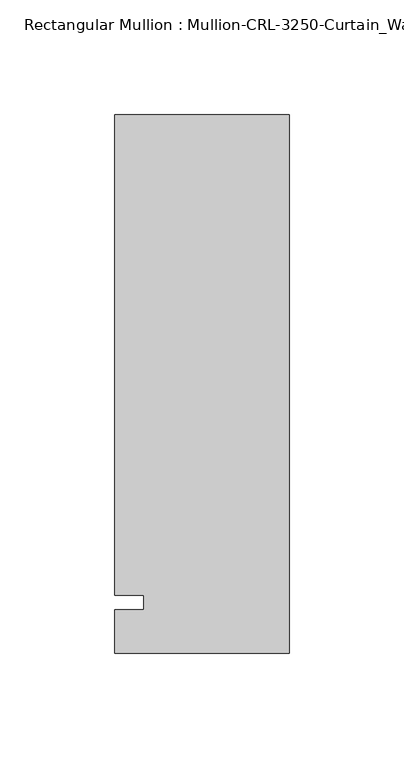
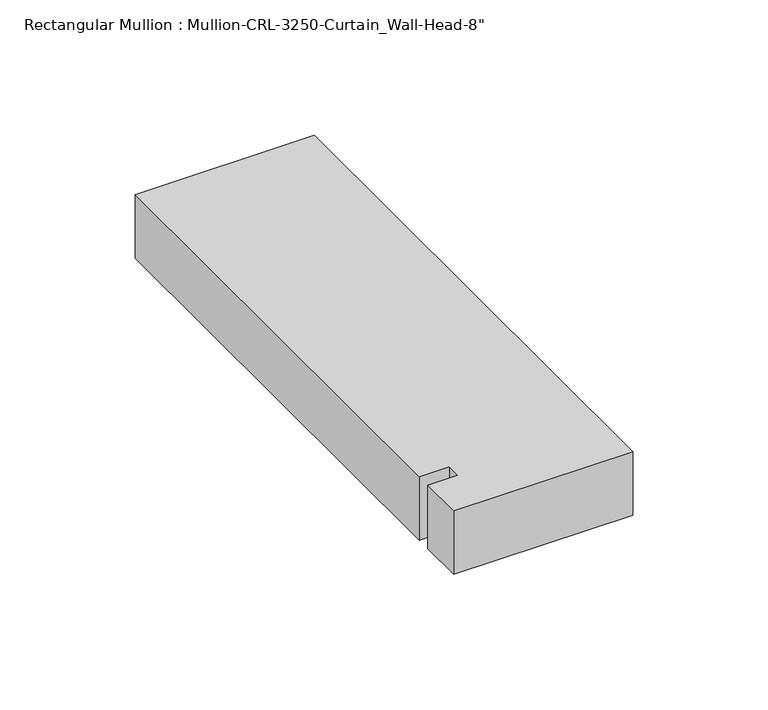
"""IFC4 building model written with IfcOpenShell, lengths in millimetres: member geometry."""

import ifcopenshell
import ifcopenshell.guid

model = None  # the IFC model being written
_history = None  # IfcOwnerHistory: only IFC2X3 demands one
_inside = {}  # id of a spatial element -> (the spatial element, [elements in it])
_under = {}  # id of a project, library or spatial element -> (it, [spatial elements below it])
_declared = {}  # id of a project -> (the project, [libraries it declares])
_typed = {}  # id of a type object -> (the type object, [elements of that type])
_made_of = {}  # id of a material, layer set ... -> (it, [elements and type objects made of it])


def new_model(schema):
    """Start an empty IFC model of exactly this schema.

    Asked for "IFC4X3", IfcOpenShell would pick the latest addendum, in which some entities
    have other attributes; the version numbers below select the first issue.
    IFC2X3 requires an IfcOwnerHistory on every rooted entity: one is made here for all.
    """
    global model, _history
    if schema == "IFC4X3":
        model = ifcopenshell.file(schema_version=(4, 3, 0, 0))
    else:
        model = ifcopenshell.file(schema=schema)
    _inside.clear()
    _under.clear()
    _declared.clear()
    _typed.clear()
    _made_of.clear()
    _history = None
    if model.schema == "IFC2X3":
        org = make("IfcOrganization", Name="unknown")
        user = make(
            "IfcPersonAndOrganization",
            ThePerson=make("IfcPerson", FamilyName="unknown"),
            TheOrganization=org,
        )
        app = make(
            "IfcApplication",
            ApplicationDeveloper=org,
            Version="unknown",
            ApplicationFullName="unknown",
            ApplicationIdentifier="unknown",
        )
        _history = make(
            "IfcOwnerHistory",
            OwningUser=user,
            OwningApplication=app,
            ChangeAction="ADDED",
            CreationDate=0,
        )
    return model


def make(cls, **values):
    """One entity of the class cls with the attributes given. An attribute that is None is left unset."""
    return model.create_entity(
        cls, **{name: value for name, value in values.items() if value is not None}
    )


def rooted(cls, **values):
    """An entity with a GlobalId (a new one), such as an element, a storey or a relation."""
    return make(cls, GlobalId=ifcopenshell.guid.new(), OwnerHistory=_history, **values)


def si_unit(unit_type, name, prefix=None):
    """IfcSIUnit, for example si_unit("LENGTHUNIT", "METRE", prefix="MILLI")."""
    return make("IfcSIUnit", UnitType=unit_type, Prefix=prefix, Name=name)


def assignment(units):
    """IfcUnitAssignment: the units of a project."""
    return None if units is None else make("IfcUnitAssignment", Units=units)


def point(xyz):
    """IfcCartesianPoint."""
    return None if xyz is None else make("IfcCartesianPoint", Coordinates=xyz)


def direction(xyz):
    """IfcDirection."""
    return None if xyz is None else make("IfcDirection", DirectionRatios=xyz)


def frame(location, z_axis=None, x_axis=None):
    """IfcAxis2Placement3D, a coordinate frame: its origin and axes. An axis left out is left unset."""
    return make(
        "IfcAxis2Placement3D",
        Location=point(location),
        Axis=direction(z_axis),
        RefDirection=direction(x_axis),
    )


def origin():
    """The frame at (0, 0, 0) with its axes left unset."""
    return frame((0.0, 0.0, 0.0))


def place(relative_to, where):
    """IfcLocalPlacement: puts the frame where relative to a parent placement (None: the world)."""
    return make(
        "IfcLocalPlacement", PlacementRelTo=relative_to, RelativePlacement=where
    )


def context(
    kind, dimensions, precision=None, world=None, true_north=None, identifier=None
):
    """IfcGeometricRepresentationContext, for example the 3D "Model" context."""
    return make(
        "IfcGeometricRepresentationContext",
        ContextIdentifier=identifier,
        ContextType=kind,
        CoordinateSpaceDimension=dimensions,
        Precision=precision,
        WorldCoordinateSystem=world,
        TrueNorth=true_north,
    )


def project(units=None, contexts=None):
    """IfcProject with its units and contexts."""
    return rooted(
        "IfcProject",
        Name="project",
        RepresentationContexts=contexts,
        UnitsInContext=assignment(units),
    )


def spatial(cls, under=None, at=None, **own):
    """A site, building, storey or space (cls), placed at a placement, below another one or the project."""
    s = rooted(cls, ObjectPlacement=at, **own)
    if under is not None:
        _under.setdefault(under.id(), (under, []))[1].append(s)
    return s


def polyline(points):
    """IfcPolyline through the points."""
    return make("IfcPolyline", Points=[point(p) for p in points])


def outline(outer, holes=None, kind="AREA"):
    """IfcArbitraryClosedProfileDef: a profile drawn as a closed curve; with holes, ...WithVoids."""
    if holes is None:
        return make("IfcArbitraryClosedProfileDef", ProfileType=kind, OuterCurve=outer)
    return make(
        "IfcArbitraryProfileDefWithVoids",
        ProfileType=kind,
        OuterCurve=outer,
        InnerCurves=holes,
    )


def extrude(swept, where, along, depth):
    """IfcExtrudedAreaSolid: the profile swept, set in the frame where, extruded along a direction by depth."""
    return make(
        "IfcExtrudedAreaSolid",
        SweptArea=swept,
        Position=where,
        ExtrudedDirection=direction(along),
        Depth=depth,
    )


def shape(context_of_items, identifier, shape_type, items):
    """IfcShapeRepresentation: the items that make up one representation, for example the "Body"."""
    return make(
        "IfcShapeRepresentation",
        ContextOfItems=context_of_items,
        RepresentationIdentifier=identifier,
        RepresentationType=shape_type,
        Items=items,
    )


def source(mapping_origin, context_of_items, identifier, shape_type, items):
    """IfcRepresentationMap: a shape defined once, which mapped items show again and again."""
    return make(
        "IfcRepresentationMap",
        MappingOrigin=mapping_origin,
        MappedRepresentation=shape(context_of_items, identifier, shape_type, items),
    )


def transform(
    local_origin,
    x_axis=None,
    y_axis=None,
    z_axis=None,
    scale=None,
    scale2=None,
    scale3=None,
    uniform=True,
):
    """IfcCartesianTransformationOperator3D, or its non-uniform kind. x_axis, y_axis, z_axis: its Axis1, 2, 3."""
    if uniform:
        return make(
            "IfcCartesianTransformationOperator3D",
            Axis1=direction(x_axis),
            Axis2=direction(y_axis),
            LocalOrigin=point(local_origin),
            Scale=scale,
            Axis3=direction(z_axis),
        )
    return make(
        "IfcCartesianTransformationOperator3DnonUniform",
        Axis1=direction(x_axis),
        Axis2=direction(y_axis),
        LocalOrigin=point(local_origin),
        Scale=scale,
        Axis3=direction(z_axis),
        Scale2=scale2,
        Scale3=scale3,
    )


def mapped(mapping_source, mapping_target):
    """IfcMappedItem: shows the shape of a source again, moved by a transform."""
    return make(
        "IfcMappedItem", MappingSource=mapping_source, MappingTarget=mapping_target
    )


def made_of(thing, what):
    """Note that an element or type object is made of a material, layer set ...; save() writes the relation."""
    if what is not None:
        _made_of.setdefault(what.id(), (what, []))[1].append(thing)
    return thing


def element(
    cls,
    number,
    at=None,
    inside=None,
    cuts=None,
    type_object=None,
    material=None,
    context=None,
    identifier="Body",
    shape_type=None,
    held_by="IfcProductDefinitionShape",
    body=None,
    shapes=None,
    **own,
):
    """One element of the class cls, such as IfcWall. Its Tag is "e" and its number.

    at: its placement. inside: the storey or other place that contains it. cuts: it is an
    opening in that element (IfcRelVoidsElement). A single representation is given by context,
    identifier, shape_type and body (its items); several are given by shapes. held_by: the class
    of the entity that holds the representations. save() writes the other relations.
    """
    e = rooted(cls, Tag="e%d" % number, ObjectPlacement=at, **own)
    if body is not None:
        shapes = [shape(context, identifier, shape_type, body)]
    if shapes is not None:
        e.Representation = make(held_by, Representations=shapes)
    if inside is not None:
        _inside.setdefault(inside.id(), (inside, []))[1].append(e)
    if cuts is not None:
        rooted(
            "IfcRelVoidsElement", RelatingBuildingElement=cuts, RelatedOpeningElement=e
        )
    if type_object is not None:
        _typed.setdefault(type_object.id(), (type_object, []))[1].append(e)
    return made_of(e, material)


def aggregate(whole, parts):
    """IfcRelAggregates: a whole, such as a stair, and the parts it consists of."""
    return rooted("IfcRelAggregates", RelatingObject=whole, RelatedObjects=parts)


def save(model, path):
    """Write the relations noted so far, then the file.

    IfcRelAggregates (storeys below a building ...), IfcRelContainedInSpatialStructure (elements
    in a storey), IfcRelDefinesByType, IfcRelAssociatesMaterial and IfcRelDeclares: one each for
    every whole, place, type object, material and project.
    """
    for whole, parts in _under.values():
        aggregate(whole, parts)
    for where, things in _inside.values():
        rooted(
            "IfcRelContainedInSpatialStructure",
            RelatedElements=things,
            RelatingStructure=where,
        )
    for kind, things in _typed.values():
        rooted("IfcRelDefinesByType", RelatedObjects=things, RelatingType=kind)
    for what, things in _made_of.values():
        rooted("IfcRelAssociatesMaterial", RelatedObjects=things, RelatingMaterial=what)
    for by, libraries in _declared.values():
        rooted("IfcRelDeclares", RelatingContext=by, RelatedDefinitions=libraries)
    model.write(path)


def member_7695ad35(model_context):
    return source(origin(), model_context, "Body", "SweptSolid", [
        extrude(outline(polyline([(0.0, -22.2254168), (-76.199997, -22.2254168), (-76.199997, -3.175), (-63.499997, -3.175), (-63.499997, 3.175), (-76.199997, 3.175), (-76.199997, 212.7246139), (0.0, 212.7246139), (0.0, -22.2254168)])), frame((0.0, 0.0, -28.576861), z_axis=(0.0, 0.0, 1.0), x_axis=(1.0, 0.0, 0.0)), (0.0, 0.0, 1.0), 28.576861),
    ])


if __name__ == "__main__":
    model = new_model("IFC4")
    model_context = context("Model", 3, world=origin())
    ifc_project = project(units=[si_unit("LENGTHUNIT", "METRE", prefix="MILLI")], contexts=[model_context])
    site = spatial("IfcSite", under=ifc_project)
    building = spatial("IfcBuilding", under=site)
    placement = place(None, origin())
    member_shape = member_7695ad35(model_context)
    element("IfcMember", 1, ObjectType="Rectangular Mullion : Mullion-CRL-3250-Curtain_Wall-Head-8\"", at=placement, inside=building, context=model_context, shape_type="MappedRepresentation", body=[
        mapped(member_shape, transform((0.0, 0.0, 0.0), x_axis=(1.0, 0.0, 0.0), y_axis=(0.0, 1.0, 0.0), z_axis=(0.0, 0.0, 1.0))),
    ])
    save(model, "model.ifc")
